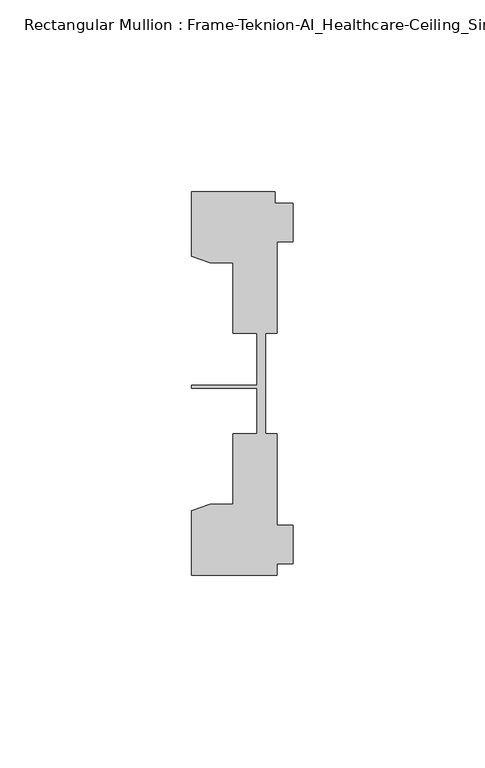
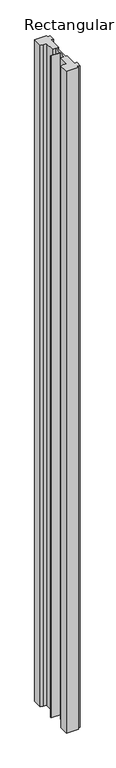
"""IFC4 building model written with IfcOpenShell, lengths in millimetres: member geometry, Rectangular Mullion : Frame-Teknion-AI_Healthcare-Ceiling_Single_Channel."""

from ifc_helpers import new_model, si_unit, frame, origin, place, context, project, spatial, polyline, outline, extrude, source, transform, mapped, element, save


def rectangular_mullion_frame_teknion_ai_healthcare_ceiling_a7423fe4(model_context):
    return source(origin(), model_context, "Body", "SweptSolid", [
        extrude(outline(polyline([(-26.4921999, 34.0201677), (-26.4921999, 50.8315128), (-4.7752002, 50.8315128), (-4.7752002, 47.782071), (0.0, 47.782071), (0.0, 37.7820716), (-4.2672007, 37.7820716), (-4.2672007, 13.9110722), (-7.1647766, 13.9110722), (-7.1647766, 0.0814804), (-7.1647766, -12.2509301), (-4.2672007, -12.2509301), (-4.2672007, -36.1219249), (0.0, -36.1219249), (0.0, -46.1219322), (-4.2672007, -46.1219322), (-4.2672007, -49.1699293), (-26.4921999, -49.1699293), (-26.4921999, -32.3600207), (-21.6625199, -30.6279561), (-15.6737764, -30.6279561), (-15.6737764, -12.2509301), (-9.4507761, -12.2509301), (-9.4507761, -0.4036528), (-26.4921999, -0.4036528), (-26.4921999, 0.4036528), (-9.4507761, 0.4036528), (-9.4507761, 13.9110722), (-15.6737764, 13.9110722), (-15.6737764, 32.2880982), (-21.6625199, 32.2880982), (-26.4921999, 34.0201677)])), frame((0.0, 0.0, -1270.0), z_axis=(0.0, 0.0, 1.0), x_axis=(1.0, 0.0, 0.0)), (0.0, 0.0, 1.0), 1270.0),
    ])


if __name__ == "__main__":
    model = new_model("IFC4")
    model_context = context("Model", 3, world=origin())
    ifc_project = project(units=[si_unit("LENGTHUNIT", "METRE", prefix="MILLI")], contexts=[model_context])
    site = spatial("IfcSite", under=ifc_project)
    building = spatial("IfcBuilding", under=site)
    placement = place(None, origin())
    rectangular_mullion_frame_teknion_ai_healthcare_ceiling_shape = rectangular_mullion_frame_teknion_ai_healthcare_ceiling_a7423fe4(model_context)
    element("IfcMember", 1, ObjectType="Rectangular Mullion : Frame-Teknion-AI_Healthcare-Ceiling_Single_Channel", at=placement, inside=building, context=model_context, shape_type="MappedRepresentation", body=[
        mapped(rectangular_mullion_frame_teknion_ai_healthcare_ceiling_shape, transform((0.0, 0.0, 0.0), x_axis=(1.0, 0.0, 0.0), y_axis=(0.0, 1.0, 0.0), z_axis=(0.0, 0.0, 1.0))),
    ])
    save(model, "model.ifc")
